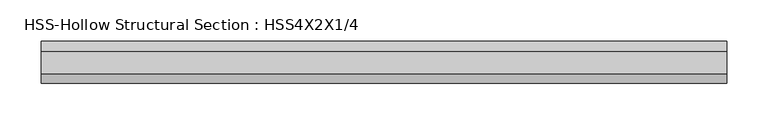
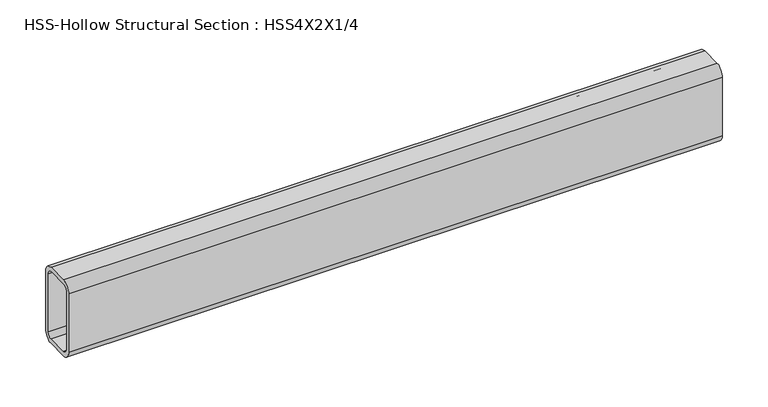
"""IFC4 building model written with IfcOpenShell, lengths in millimetres: beam geometry, HSS-Hollow Structural Section : HSS4X2X1/4."""

from ifc_helpers import new_model, si_unit, point, frame, frame_2d, origin, place, context, project, spatial, polyline, circle_curve, trimmed, segment, composite_curve, outline, extrude, source, transform, mapped, element, save


def hss_hollow_structural_section_hss4x2x1_4_cf369789(model_context):
    return source(origin(), model_context, "Body", "SweptSolid", [
        extrude(outline(composite_curve([segment(polyline([(25.4, 38.9636), (25.4, -38.9636)]), True, "CONTINUOUS"), segment(trimmed(circle_curve(frame_2d((13.5636, -38.9636)), 11.8364), [point((25.4, -38.9636))], [point((13.5636, -50.8))], False, "CARTESIAN"), True, "CONTINUOUS"), segment(polyline([(13.5636, -50.8), (-13.5636, -50.8)]), True, "CONTINUOUS"), segment(trimmed(circle_curve(frame_2d((-13.5636, -38.9636)), 11.8364), [point((-13.5636, -50.8))], [point((-25.4, -38.9636))], False, "CARTESIAN"), True, "CONTINUOUS"), segment(polyline([(-25.4, -38.9636), (-25.4, 38.9636)]), True, "CONTINUOUS"), segment(trimmed(circle_curve(frame_2d((-13.5636, 38.9636)), 11.8364), [point((-25.4, 38.9636))], [point((-13.5636, 50.8))], False, "CARTESIAN"), True, "CONTINUOUS"), segment(polyline([(-13.5636, 50.8), (13.5636, 50.8)]), True, "CONTINUOUS"), segment(trimmed(circle_curve(frame_2d((13.5636, 38.9636)), 11.8364), [point((13.5636, 50.8))], [point((25.4, 38.9636))], False, "CARTESIAN"), True, "CONTINUOUS")], self_intersect=False), holes=[composite_curve([segment(trimmed(circle_curve(frame_2d((-13.5636, 38.9636)), 5.9182), [point((-13.5636, 44.8818))], [point((-19.4818, 38.9636))], True, "CARTESIAN"), True, "CONTINUOUS"), segment(polyline([(-19.4818, 38.9636), (-19.4818, -38.9636)]), True, "CONTINUOUS"), segment(trimmed(circle_curve(frame_2d((-13.5636, -38.9636)), 5.9182), [point((-19.4818, -38.9636))], [point((-13.5636, -44.8818))], True, "CARTESIAN"), True, "CONTINUOUS"), segment(polyline([(-13.5636, -44.8818), (13.5636, -44.8818)]), True, "CONTINUOUS"), segment(trimmed(circle_curve(frame_2d((13.5636, -38.9636)), 5.9182), [point((13.5636, -44.8818))], [point((19.4818, -38.9636))], True, "CARTESIAN"), True, "CONTINUOUS"), segment(polyline([(19.4818, -38.9636), (19.4818, 38.9636)]), True, "CONTINUOUS"), segment(trimmed(circle_curve(frame_2d((13.5636, 38.9636)), 5.9182), [point((19.4818, 38.9636))], [point((13.5636, 44.8818))], True, "CARTESIAN"), True, "CONTINUOUS"), segment(polyline([(13.5636, 44.8818), (-13.5636, 44.8818)]), True, "CONTINUOUS")], self_intersect=False)]), frame((-413.7025, 0.0, 0.0), z_axis=(1.0, 0.0, 0.0), x_axis=(0.0, 1.0, 0.0)), (0.0, 0.0, 1.0), 827.405),
    ])


if __name__ == "__main__":
    model = new_model("IFC4")
    model_context = context("Model", 3, world=origin())
    ifc_project = project(units=[si_unit("LENGTHUNIT", "METRE", prefix="MILLI")], contexts=[model_context])
    site = spatial("IfcSite", under=ifc_project)
    building = spatial("IfcBuilding", under=site)
    placement = place(None, origin())
    hss_hollow_structural_section_hss4x2x1_4_shape = hss_hollow_structural_section_hss4x2x1_4_cf369789(model_context)
    element("IfcBeam", 1, ObjectType="HSS-Hollow Structural Section : HSS4X2X1/4", at=placement, inside=building, context=model_context, shape_type="MappedRepresentation", body=[
        mapped(hss_hollow_structural_section_hss4x2x1_4_shape, transform((0.0, 0.0, 0.0), x_axis=(1.0, 0.0, 0.0), y_axis=(0.0, 1.0, 0.0), z_axis=(0.0, 0.0, 1.0))),
    ])
    save(model, "model.ifc")
